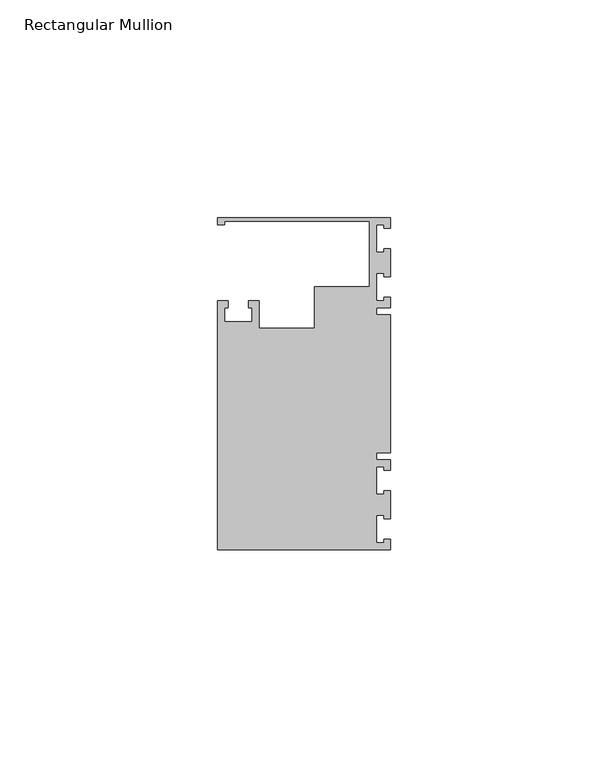
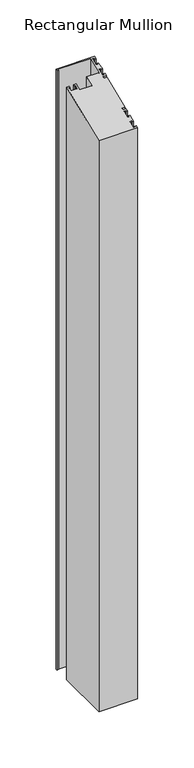
"""IFC4 building model written with IfcOpenShell, lengths in millimetres: member geometry, Rectangular Mullion."""

from ifc_helpers import new_model, si_unit, origin, place, context, project, spatial, faceted_brep, source, transform, mapped, element, save


def rectangular_mullion_ee7c94d9(model_context):
    return source(origin(), model_context, "Body", "Brep", [
        faceted_brep([(0.0, 38.1, -635.0), (0.0, 35.71875, -635.0), (-1.4999946, 35.71875, -635.0), (-1.4999946, 36.5125, -635.0), (-3.175, 36.5125, -635.0), (-3.175, 30.1625, -635.0), (-1.4999946, 30.1625, -635.0), (-1.4999946, 30.95625, -635.0), (0.0, 30.95625, -635.0), (0.0, 24.60625, -635.0), (-1.4999946, 24.60625, -635.0), (-1.4999946, 25.4, -635.0), (-3.175, 25.4, -635.0), (-3.175, 19.05, -635.0), (-1.4999946, 19.05, -635.0), (-1.4999946, 19.84375, -635.0), (0.0, 19.84375, -635.0), (0.0, 17.4625, -635.0), (-3.175, 17.4625, -635.0), (-3.175, 15.875, -635.0), (0.0, 15.875, -635.0), (0.0, -15.875, -635.0), (-3.175, -15.875, -635.0), (-3.175, -17.4625, -635.0), (0.0, -17.4625, -635.0), (0.0, -19.84375, -635.0), (-1.4999946, -19.84375, -635.0), (-1.4999946, -19.05, -635.0), (-3.175, -19.05, -635.0), (-3.175, -25.4, -635.0), (-1.4999946, -25.4, -635.0), (-1.4999946, -24.60625, -635.0), (0.0, -24.60625, -635.0), (0.0, -30.95625, -635.0), (-1.4999946, -30.95625, -635.0), (-1.4999946, -30.1625, -635.0), (-3.175, -30.1625, -635.0), (-3.175, -36.5125, -635.0), (-1.4999946, -36.5125, -635.0), (-1.4999946, -35.71875, -635.0), (0.0, -35.71875, -635.0), (0.0, -38.1, -635.0), (-39.6875, -38.1, -635.0), (-39.6875, 19.05, -635.0), (-37.30625, 19.05, -635.0), (-37.30625, 17.4625, -635.0), (-38.1, 17.4625, -635.0), (-38.1, 14.2875, -635.0), (-31.75, 14.2875, -635.0), (-31.75, 17.4625, -635.0), (-32.54375, 17.4625, -635.0), (-32.54375, 19.05, -635.0), (-30.1625, 19.05, -635.0), (-30.1625, 12.6999969, -635.0), (-17.4625, 12.6999969, -635.0), (-17.4625, 22.225, -635.0), (-4.8585733, 22.225, -635.0), (-4.8585733, 37.30625, -635.0), (-38.1, 37.30625, -635.0), (-38.1, 36.5125, -635.0), (-39.6875, 36.5125, -635.0), (-39.6875, 38.1, -635.0), (-39.6875, 38.1, 15.7815367), (0.0, 38.1, 15.7815367), (-39.6875, 36.5125, 15.1239727), (-38.1, 36.5125, 15.1239727), (-38.1, 37.30625, 15.4527547), (-4.8585733, 37.30625, 15.4527547), (-4.8585733, 22.225, 9.2058964), (-17.4625, 22.225, 9.2058964), (-17.4625, 12.6999969, 5.260511), (-30.1625, 12.6999969, 5.260511), (-30.1625, 19.05, 7.8907684), (-32.54375, 19.05, 7.8907684), (-32.54375, 17.4625, 7.2332043), (-31.75, 17.4625, 7.2332043), (-31.75, 14.2875, 5.9180763), (-38.1, 14.2875, 5.9180763), (-38.1, 17.4625, 7.2332043), (-37.30625, 17.4625, 7.2332043), (-37.30625, 19.05, 7.8907684), (-39.6875, 19.05, 7.8907684), (-39.6875, -38.1, -15.7815367), (0.0, -38.1, -15.7815367), (0.0, -35.71875, -14.7951907), (-1.4999946, -35.71875, -14.7951907), (-1.4999946, -36.5125, -15.1239727), (-3.175, -36.5125, -15.1239727), (-3.175, -30.1625, -12.4937166), (-1.4999946, -30.1625, -12.4937166), (-1.4999946, -30.95625, -12.8224986), (0.0, -30.95625, -12.8224986), (0.0, -24.60625, -10.1922425), (-1.4999946, -24.60625, -10.1922425), (-1.4999946, -25.4, -10.5210245), (-3.175, -25.4, -10.5210245), (-3.175, -19.05, -7.8907684), (-1.4999946, -19.05, -7.8907684), (-1.4999946, -19.84375, -8.2195504), (0.0, -19.84375, -8.2195504), (0.0, -17.4625, -7.2332043), (-3.175, -17.4625, -7.2332043), (-3.175, -15.875, -6.5756403), (0.0, -15.875, -6.5756403), (0.0, 15.875, 6.5756403), (-3.175, 15.875, 6.5756403), (-3.175, 17.4625, 7.2332043), (0.0, 17.4625, 7.2332043), (0.0, 19.84375, 8.2195504), (-1.4999946, 19.84375, 8.2195504), (-1.4999946, 19.05, 7.8907684), (-3.175, 19.05, 7.8907684), (-3.175, 25.4, 10.5210245), (-1.4999946, 25.4, 10.5210245), (-1.4999946, 24.60625, 10.1922425), (0.0, 24.60625, 10.1922425), (0.0, 30.95625, 12.8224986), (-1.4999946, 30.95625, 12.8224986), (-1.4999946, 30.1625, 12.4937166), (-3.175, 30.1625, 12.4937166), (-3.175, 36.5125, 15.1239727), (-1.4999946, 36.5125, 15.1239727), (-1.4999946, 35.71875, 14.7951907), (0.0, 35.71875, 14.7951907)], [[[0, 1, 2, 3, 4, 5, 6, 7, 8, 9, 10, 11, 12, 13, 14, 15, 16, 17, 18, 19, 20, 21, 22, 23, 24, 25, 26, 27, 28, 29, 30, 31, 32, 33, 34, 35, 36, 37, 38, 39, 40, 41, 42, 43, 44, 45, 46, 47, 48, 49, 50, 51, 52, 53, 54, 55, 56, 57, 58, 59, 60, 61]], [[62, 63, 0, 61]], [[64, 62, 61, 60]], [[65, 64, 60, 59]], [[66, 65, 59, 58]], [[67, 66, 58, 57]], [[68, 67, 57, 56]], [[69, 68, 56, 55]], [[70, 69, 55, 54]], [[71, 70, 54, 53]], [[72, 71, 53, 52]], [[73, 72, 52, 51]], [[74, 73, 51, 50]], [[75, 74, 50, 49]], [[76, 75, 49, 48]], [[77, 76, 48, 47]], [[78, 77, 47, 46]], [[79, 78, 46, 45]], [[80, 79, 45, 44]], [[81, 80, 44, 43]], [[82, 81, 43, 42]], [[83, 82, 42, 41]], [[84, 83, 41, 40]], [[85, 84, 40, 39]], [[86, 85, 39, 38]], [[87, 86, 38, 37]], [[88, 87, 37, 36]], [[89, 88, 36, 35]], [[90, 89, 35, 34]], [[91, 90, 34, 33]], [[92, 91, 33, 32]], [[93, 92, 32, 31]], [[94, 93, 31, 30]], [[95, 94, 30, 29]], [[96, 95, 29, 28]], [[97, 96, 28, 27]], [[98, 97, 27, 26]], [[99, 98, 26, 25]], [[100, 99, 25, 24]], [[101, 100, 24, 23]], [[102, 101, 23, 22]], [[103, 102, 22, 21]], [[104, 103, 21, 20]], [[105, 104, 20, 19]], [[106, 105, 19, 18]], [[107, 106, 18, 17]], [[108, 107, 17, 16]], [[109, 108, 16, 15]], [[110, 109, 15, 14]], [[111, 110, 14, 13]], [[112, 111, 13, 12]], [[113, 112, 12, 11]], [[114, 113, 11, 10]], [[115, 114, 10, 9]], [[116, 115, 9, 8]], [[117, 116, 8, 7]], [[118, 117, 7, 6]], [[119, 118, 6, 5]], [[120, 119, 5, 4]], [[121, 120, 4, 3]], [[122, 121, 3, 2]], [[123, 122, 2, 1]], [[63, 123, 1, 0]], [[63, 62, 64, 65, 66, 67, 68, 69, 70, 71, 72, 73, 74, 75, 76, 77, 78, 79, 80, 81, 82, 83, 84, 85, 86, 87, 88, 89, 90, 91, 92, 93, 94, 95, 96, 97, 98, 99, 100, 101, 102, 103, 104, 105, 106, 107, 108, 109, 110, 111, 112, 113, 114, 115, 116, 117, 118, 119, 120, 121, 122, 123]]]),
    ])


if __name__ == "__main__":
    model = new_model("IFC4")
    model_context = context("Model", 3, world=origin())
    ifc_project = project(units=[si_unit("LENGTHUNIT", "METRE", prefix="MILLI")], contexts=[model_context])
    site = spatial("IfcSite", under=ifc_project)
    building = spatial("IfcBuilding", under=site)
    placement = place(None, origin())
    rectangular_mullion_shape = rectangular_mullion_ee7c94d9(model_context)
    element("IfcMember", 1, ObjectType="Rectangular Mullion", at=placement, inside=building, context=model_context, shape_type="MappedRepresentation", body=[
        mapped(rectangular_mullion_shape, transform((0.0, 0.0, 0.0), x_axis=(1.0, 0.0, 0.0), y_axis=(0.0, 1.0, 0.0), z_axis=(0.0, 0.0, 1.0))),
    ])
    save(model, "model.ifc")
